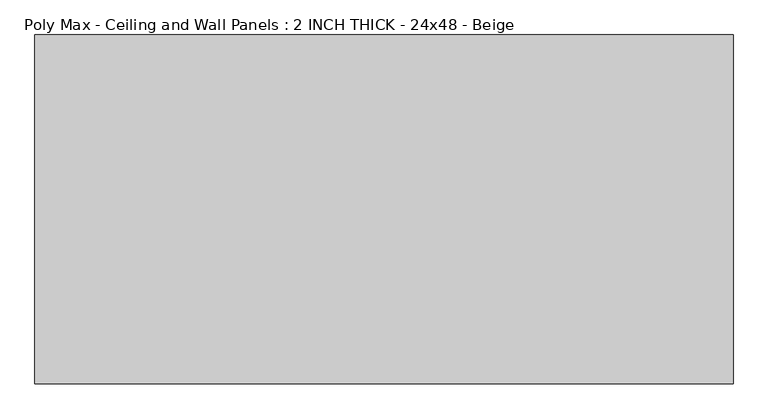
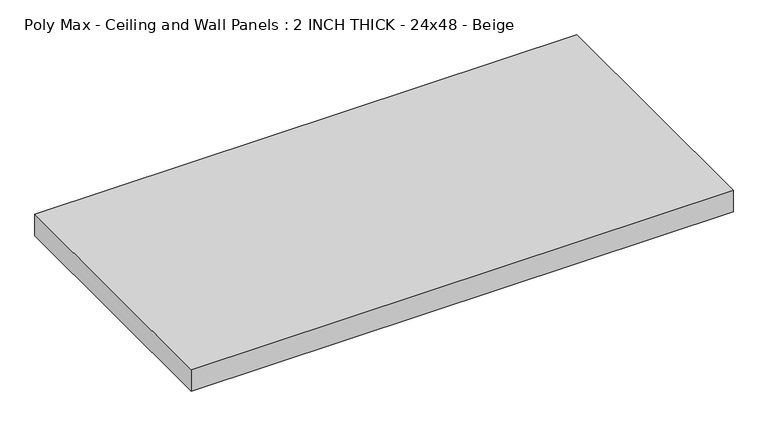
"""IFC4 building model written with IfcOpenShell, lengths in millimetres: proxy geometry, Poly Max - Ceiling and Wall Panels : 2 INCH THICK - 24x48 - Beige."""

from ifc_helpers import new_model, si_unit, origin, origin_with_axes, place, context, project, spatial, polyline, outline, extrude, source, transform, mapped, element, save


def poly_max_ceiling_and_wall_panels_2_inch_thick_24x48_beige_c6a48200(model_context):
    return source(origin(), model_context, "Body", "SweptSolid", [
        extrude(outline(polyline([(-609.6, 304.8), (609.6, 304.8), (609.6, -304.8), (-609.6, -304.8), (-609.6, 304.8)])), origin_with_axes(), (0.0, 0.0, 1.0), 50.8),
    ])


if __name__ == "__main__":
    model = new_model("IFC4")
    model_context = context("Model", 3, world=origin())
    ifc_project = project(units=[si_unit("LENGTHUNIT", "METRE", prefix="MILLI")], contexts=[model_context])
    site = spatial("IfcSite", under=ifc_project)
    building = spatial("IfcBuilding", under=site)
    placement = place(None, origin())
    poly_max_ceiling_and_wall_panels_2_inch_thick_24x48_beige_shape = poly_max_ceiling_and_wall_panels_2_inch_thick_24x48_beige_c6a48200(model_context)
    element("IfcBuildingElementProxy", 1, Name="Poly Max - Ceiling and Wall Panels : 2 INCH THICK - 24x48 - Beige", ObjectType="Poly Max - Ceiling and Wall Panels : 2 INCH THICK - 24x48 - Beige", at=placement, inside=building, context=model_context, shape_type="MappedRepresentation", body=[
        mapped(poly_max_ceiling_and_wall_panels_2_inch_thick_24x48_beige_shape, transform((0.0, 0.0, 0.0), x_axis=(1.0, 0.0, 0.0), y_axis=(0.0, 1.0, 0.0), z_axis=(0.0, 0.0, 1.0))),
    ])
    save(model, "model.ifc")
